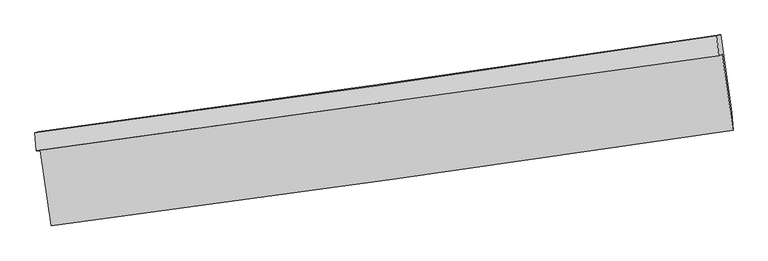
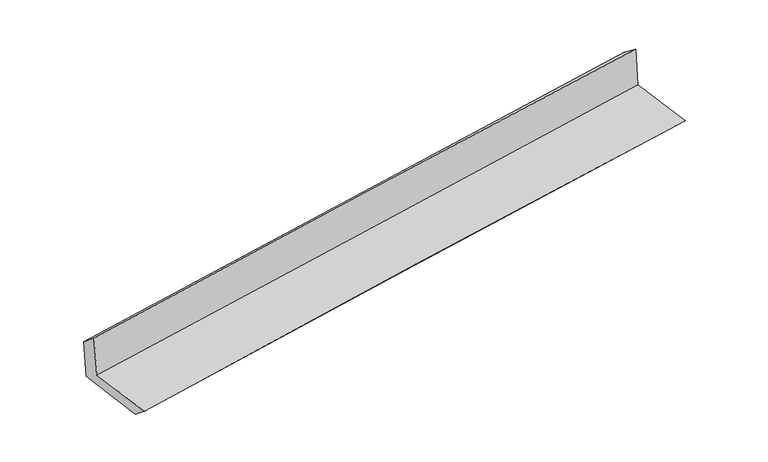
"""IFC4 building model written with IfcOpenShell, lengths in millimetres: proxy geometry."""

from ifc_helpers import new_model, si_unit, frame, origin, place, context, project, spatial, source, transform, mapped, element, save
from ifc_brep_helpers import plane_surface, spline_curve, spline_surface, advanced_brep


def generic_models_ece6708f(model_context):
    return source(origin(), model_context, "Body", "AdvancedBrep", [
        advanced_brep(
        [(-2992.385733, -1924.0503708, 1642.4449163), (-2896.8488301, -2582.1301579, 1625.5084242), (3038.860598, -1747.6834988, 2132.3003111), (2942.914363, -1086.1287109, 2149.3335473), (-3025.1628109, -1928.9617987, 2050.1908435), (2912.3666308, -1100.796031, 2546.926571), (-3037.0424701, -1772.4428068, 1922.1629888), (2898.6549445, -928.6056078, 2414.20047), (-3006.7095945, -1763.7747116, 1537.6393588), (2929.7713029, -919.7135062, 2019.7346228), (-2907.2012067, -2442.94007, 1509.0727624), (3028.5774084, -1594.7488317, 1991.334499)],
        [
            (0, 1),
            (1, 2, spline_curve(3, [(-2896.8488301, -2582.1301579, 1625.5084242), (-1905.217002791, -2450.219419103, 1723.456626867), (-913.70618729, -2314.570899631, 1814.739109704), (1064.862596363, -2036.390329158, 1983.613235208), (2051.921589922, -1893.889962145, 2061.261381316), (3038.860598, -1747.6834988, 2132.3003111)], [4, 2, 4], [0.0, 9.889079311767343, 19.736155789239348])),
            (2, 3),
            (3, 0, spline_curve(3, [(2942.914363, -1086.1287109, 2149.3335473), (1956.166081633, -1230.191788352, 2067.653514806), (969.236620336, -1371.906533742, 1984.665466573), (-1009.195196368, -1651.233830129, 1815.713772056), (-2000.699100084, -1788.82630455, 1729.738943345), (-2992.385733, -1924.0503708, 1642.4449163)], [4, 2, 4], [0.0, 9.847076477472005, 19.736155789239348])),
            (4, 0),
            (3, 5),
            (5, 4, spline_curve(3, [(2912.3666308, -1100.796031, 2546.926571), (1923.883679264, -1237.600230777, 2473.641728392), (935.900048005, -1374.868278994, 2395.702686484), (-1043.280701529, -1650.919569424, 2230.163900357), (-2034.473550632, -1789.706777182, 2142.52436654), (-3025.1628109, -1928.9617987, 2050.1908435)], [4, 2, 4], [0.0, 9.847077997799296, 19.736158836378905])),
            (6, 4),
            (5, 7),
            (7, 6, spline_curve(3, [(2898.6549445, -928.6056078, 2414.20047), (1911.527495894, -1076.184385624, 2342.14514294), (924.375078079, -1220.151587684, 2265.212022597), (-1054.190513012, -1501.46153049, 2101.241230075), (-2045.60390034, -1638.773394446, 2014.161856774), (-3037.0424701, -1772.4428068, 1922.1629888)], [4, 2, 4], [0.0, 9.847154138028944, 19.736311441615353])),
            (8, 6),
            (7, 9),
            (9, 8, spline_curve(3, [(2929.7713029, -919.7135062, 2019.7346228), (1943.22888988, -1066.824772014, 1939.776922661), (956.304600044, -1210.576308733, 1859.709202026), (-1022.51910089, -1491.95876677, 1699.011721566), (-2014.421776808, -1629.560965217, 1618.381020468), (-3006.7095945, -1763.7747116, 1537.6393588)], [4, 2, 4], [0.0, 9.84710648363928, 19.7362159295656])),
            (10, 8),
            (9, 11),
            (11, 10, spline_curve(3, [(3028.5774084, -1594.7488317, 1991.334499), (2041.751209388, -1737.341865014, 1911.595027364), (1054.742999247, -1879.172183479, 1831.622839531), (-923.848316126, -2161.909116841, 1670.870917197), (-1915.432977781, -2302.809210979, 1590.089192675), (-2907.2012067, -2442.94007, 1509.0727624)], [4, 2, 4], [0.0, 9.846946187542281, 19.73589465362649])),
            (1, 10),
            (11, 2),
        ],
        [
            spline_surface(3, 3, [[(-2992.385733, -1924.0503708, 1642.4449163), (-2000.699100079, -1788.826304578, 1729.738943403), (-1009.195196214, -1651.233830122, 1815.713772079), (969.236620183, -1371.906533749, 1984.665466549), (1956.166081627, -1230.191788235, 2067.653514899), (2942.914363, -1086.1287109, 2149.3335473)], [(-2960.540098684, -2143.410299835, 1636.799418941), (-1968.871734351, -2009.290676045, 1727.644837904), (-977.365526558, -1872.346186659, 1815.388884657), (1001.111945565, -1593.40113221, 1984.314722737), (1988.084584417, -1451.424512826, 2065.522803665), (2974.896441327, -1306.646973534, 2143.655801904)], [(-2928.694464416, -2362.770228865, 1631.153921559), (-1937.044368671, -2229.755047506, 1725.550732383), (-945.535856906, -2093.458543158, 1815.063997229), (1032.987270942, -1814.895730633, 1983.963978919), (2020.003087225, -1672.657237414, 2063.392092419), (3006.878519673, -1527.165236166, 2137.978056496)], [(-2896.8488301, -2582.1301579, 1625.5084242), (-1905.217002943, -2450.219418973, 1723.456626885), (-913.70618725, -2314.570899695, 1814.739109806), (1064.862596323, -2036.390329094, 1983.613235107), (2051.921590015, -1893.889962004, 2061.261381185), (3038.860598, -1747.6834988, 2132.3003111)]], [4, 4], [4, 2, 4], [0.0, 2.2006244368422916], [0.0, 9.889079311767343, 19.736155789239348]),
            spline_surface(3, 3, [[(-3025.1628109, -1928.9617987, 2050.1908435), (-2034.473550727, -1789.706777058, 2142.524366654), (-1043.280701431, -1650.919569397, 2230.163900394), (935.900047908, -1374.86827902, 2395.702686447), (1923.883679233, -1237.60023082, 2473.641728539), (2912.3666308, -1100.796031, 2546.926571)], [(-3014.237118283, -1927.324656075, 1914.275534437), (-2023.215400527, -1789.41328624, 2004.929225574), (-1031.918866342, -1651.024322979, 2092.013857624), (947.012238682, -1373.881030603, 2258.690279816), (1934.644480055, -1235.130749989, 2338.312323982), (2922.549208224, -1095.90692433, 2414.39556309)], [(-3003.311425617, -1925.687513425, 1778.360225363), (-2011.957250279, -1789.119795396, 1867.334084483), (-1020.557031303, -1651.129076541, 1953.863814849), (958.124429408, -1372.893782166, 2121.67787318), (1945.405280806, -1232.661269067, 2202.982919456), (2932.731785576, -1091.01781757, 2281.86455521)], [(-2992.385733, -1924.0503708, 1642.4449163), (-2000.699100079, -1788.826304578, 1729.738943403), (-1009.195196214, -1651.233830122, 1815.713772079), (969.236620183, -1371.906533749, 1984.665466549), (1956.166081627, -1230.191788235, 2067.653514899), (2942.914363, -1086.1287109, 2149.3335473)]], [4, 4], [4, 2, 4], [0.0, 1.3586859738210701], [0.0, 9.88908083857961, 19.736158836378905]),
            spline_surface(3, 3, [[(-3037.0424701, -1772.4428068, 1922.1629888), (-2045.603900434, -1638.773394356, 2014.161856722), (-1054.190513162, -1501.461530343, 2101.24123013), (924.375078228, -1220.15158783, 2265.212022542), (1911.527495846, -1076.184385556, 2342.145142848), (2898.6549445, -928.6056078, 2414.20047)], [(-3033.082583693, -1824.615804092, 1964.838940372), (-2041.893783858, -1689.084521916, 2056.949360038), (-1050.55390924, -1551.280876677, 2144.21545354), (928.216734799, -1271.72381821, 2308.708910499), (1915.646223632, -1129.989667306, 2385.977338074), (2903.225506591, -986.002415529, 2458.442503663)], [(-3029.122697307, -1876.788801408, 2007.514891928), (-2038.183667303, -1739.395649499, 2099.736863339), (-1046.917305352, -1601.100223063, 2187.189676984), (932.058391337, -1323.296048641, 2352.20579849), (1919.764951447, -1183.79494907, 2429.809533313), (2907.796068709, -1043.399223271, 2502.684537337)], [(-3025.1628109, -1928.9617987, 2050.1908435), (-2034.473550727, -1789.706777058, 2142.524366654), (-1043.280701431, -1650.919569397, 2230.163900394), (935.900047908, -1374.86827902, 2395.702686447), (1923.883679233, -1237.60023082, 2473.641728539), (2912.3666308, -1100.796031, 2546.926571)]], [4, 4], [4, 2, 4], [0.0, 0.6567905078499587], [0.0, 9.889157303586408, 19.736311441615353]),
            spline_surface(3, 3, [[(-3006.7095945, -1763.7747116, 1537.6393588), (-2014.421776832, -1629.560965321, 1618.381020526), (-1022.519100958, -1491.958766844, 1699.011721436), (956.304600111, -1210.576308658, 1859.709202156), (1943.228889998, -1066.824771975, 1939.776922631), (2929.7713029, -919.7135062, 2019.7346228)], [(-3016.820553014, -1766.664076691, 1665.813902115), (-2024.815818013, -1632.631775024, 1750.307965907), (-1033.076238389, -1495.126354686, 1833.08822435), (945.661426121, -1213.768068391, 1994.876808967), (1932.661758602, -1069.944643156, 2073.899662721), (2919.399183422, -922.677540054, 2151.223238551)], [(-3026.931511586, -1769.553441709, 1793.988445485), (-2035.209859253, -1635.702584654, 1882.234911342), (-1043.633375731, -1498.293942501, 1967.164727216), (935.018252219, -1216.959828098, 2130.044415731), (1922.094627241, -1073.064514375, 2208.022402758), (2909.027063978, -925.641573946, 2282.711854249)], [(-3037.0424701, -1772.4428068, 1922.1629888), (-2045.603900434, -1638.773394356, 2014.161856722), (-1054.190513162, -1501.461530343, 2101.24123013), (924.375078228, -1220.15158783, 2265.212022542), (1911.527495846, -1076.184385556, 2342.145142848), (2898.6549445, -928.6056078, 2414.20047)]], [4, 4], [4, 2, 4], [0.0, 1.3294667007605543], [0.0, 9.88910944592632, 19.7362159295656]),
            spline_surface(3, 3, [[(-2907.2012067, -2442.94007, 1509.0727624), (-1915.432977818, -2302.809211127, 1590.089192525), (-923.848316266, -2161.909116849, 1670.870917034), (1054.742999386, -1879.172183471, 1831.622839694), (2041.751209522, -1737.341864971, 1911.595027383), (3028.5774084, -1594.7488317, 1991.334499)], [(-2940.370669305, -2216.551617202, 1518.594961222), (-1948.429244161, -2078.393129194, 1599.51980188), (-956.738577812, -1938.592333499, 1680.251185172), (1021.930199645, -1656.306891852, 1840.984960519), (2008.910436356, -1513.836167315, 1920.98899246), (2995.642039909, -1369.737056543, 2000.801206928)], [(-2973.540131895, -1990.163164398, 1528.117159978), (-1981.425510488, -1853.977047254, 1608.950411171), (-989.628839411, -1715.275550194, 1689.631453297), (989.117399852, -1433.441600278, 1850.34708133), (1976.069663164, -1290.33046963, 1930.382957553), (2962.706671391, -1144.725281357, 2010.267914872)], [(-3006.7095945, -1763.7747116, 1537.6393588), (-2014.421776832, -1629.560965321, 1618.381020526), (-1022.519100958, -1491.958766844, 1699.011721436), (956.304600111, -1210.576308658, 1859.709202156), (1943.228889998, -1066.824771975, 1939.776922631), (2929.7713029, -919.7135062, 2019.7346228)]], [4, 4], [4, 2, 4], [0.0, 2.22138275240294], [0.0, 9.88894846608421, 19.73589465362649]),
            spline_surface(3, 3, [[(-2896.8488301, -2582.1301579, 1625.5084242), (-1905.217002943, -2450.219418973, 1723.456626885), (-913.70618725, -2314.570899695, 1814.739109806), (1064.862596323, -2036.390329094, 1983.613235107), (2051.921590015, -1893.889962004, 2061.261381185), (3038.860598, -1747.6834988, 2132.3003111)], [(-2900.29962232, -2535.733461904, 1586.696536914), (-1908.622327922, -2401.082682995, 1679.000815412), (-917.086896939, -2263.683638751, 1766.783045535), (1061.489397327, -1983.984280557, 1932.949769956), (2048.531463179, -1841.70726297, 2011.372596583), (3035.432868128, -1696.70527641, 2085.311707065)], [(-2903.75041448, -2489.336765996, 1547.884649686), (-1912.027652839, -2351.945947104, 1634.545003998), (-920.467606577, -2212.796377793, 1718.826981305), (1058.116198382, -1931.578232008, 1882.286304845), (2045.141336359, -1789.524564006, 1961.483811986), (3032.005138272, -1645.72705409, 2038.323103035)], [(-2907.2012067, -2442.94007, 1509.0727624), (-1915.432977818, -2302.809211127, 1590.089192525), (-923.848316266, -2161.909116849, 1670.870917034), (1054.742999386, -1879.172183471, 1831.622839694), (2041.751209522, -1737.341864971, 1911.595027383), (3028.5774084, -1594.7488317, 1991.334499)]], [4, 4], [4, 2, 4], [0.0, 0.7035389735877213], [0.0, 9.888919320471329, 19.735836486193683]),
            plane_surface(frame((2958.5242079, -1229.6126977, 2208.9716702), z_axis=(0.9866874065214546, 0.1410148720599288, 0.081010910807667), x_axis=(-0.07861813399848648, -0.022466653148507272, 0.9966516134050558))),
            plane_surface(frame((-2977.5584409, -2069.049986, 1714.5032157), z_axis=(-0.9866671247750383, -0.14115464655338314, -0.08101450885211148), x_axis=(-0.14362260166289684, 0.9893049513941322, 0.025460978744632497))),
        ],
        [
            (0, [[1, 2, 3, 4]]),
            (1, [[5, -4, 6, 7]]),
            (2, [[8, -7, 9, 10]]),
            (3, [[11, -10, 12, 13]]),
            (4, [[14, -13, 15, 16]]),
            (5, [[17, -16, 18, -2]]),
            (6, [[-12, -9, -6, -3, -18, -15]]),
            (7, [[-1, -5, -8, -11, -14, -17]]),
        ],
    ),
    ])


if __name__ == "__main__":
    model = new_model("IFC4")
    model_context = context("Model", 3, world=origin())
    ifc_project = project(units=[si_unit("LENGTHUNIT", "METRE", prefix="MILLI")], contexts=[model_context])
    site = spatial("IfcSite", under=ifc_project)
    building = spatial("IfcBuilding", under=site)
    placement = place(None, origin())
    generic_models_shape = generic_models_ece6708f(model_context)
    element("IfcBuildingElementProxy", 1, Name="Generic Models", at=placement, inside=building, context=model_context, shape_type="MappedRepresentation", body=[
        mapped(generic_models_shape, transform((0.0, 0.0, 0.0), x_axis=(1.0, 0.0, 0.0), y_axis=(0.0, 1.0, 0.0), z_axis=(0.0, 0.0, 1.0))),
    ])
    save(model, "model.ifc")
